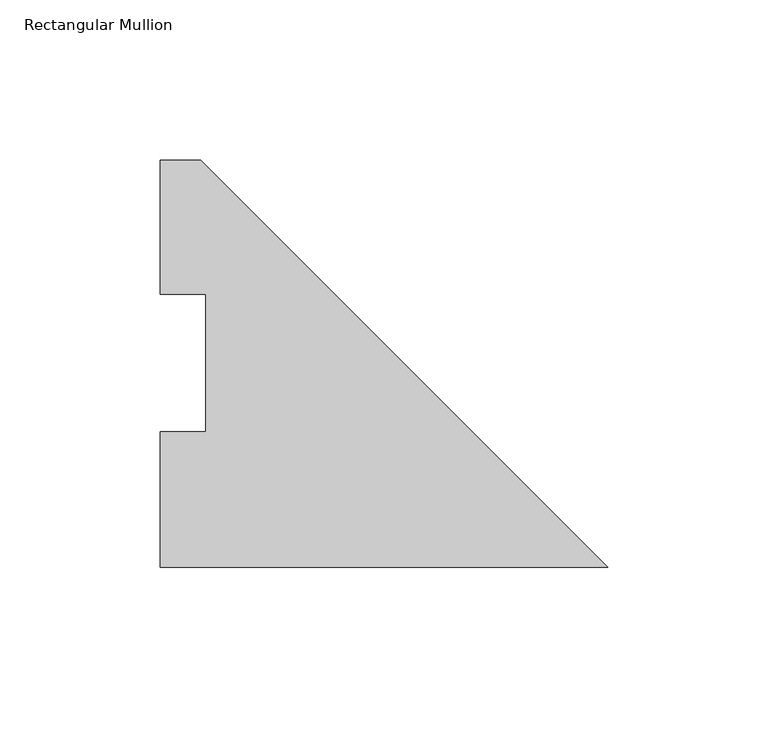
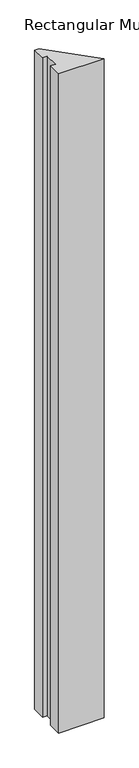
"""IFC4 building model written with IfcOpenShell, lengths in millimetres: member geometry, Rectangular Mullion."""

from ifc_helpers import new_model, si_unit, frame, origin, place, context, project, spatial, polyline, outline, extrude, source, transform, mapped, element, save


def rectangular_mullion_853a76a3(model_context):
    return source(origin(), model_context, "Body", "SweptSolid", [
        extrude(outline(polyline([(0.0, -0.0294092), (-139.7, -0.0294092), (-139.7, 42.2798875), (-125.4125, 42.2798875), (-125.4125, 85.1296875), (-139.7, 85.1296875), (-139.7, 126.9705908), (-127.0, 126.9705908), (0.0, -0.0294092)])), frame((0.0, 0.0, -2133.6), z_axis=(0.0, 0.0, 1.0), x_axis=(1.0, 0.0, 0.0)), (0.0, 0.0, 1.0), 2133.6),
    ])


if __name__ == "__main__":
    model = new_model("IFC4")
    model_context = context("Model", 3, world=origin())
    ifc_project = project(units=[si_unit("LENGTHUNIT", "METRE", prefix="MILLI")], contexts=[model_context])
    site = spatial("IfcSite", under=ifc_project)
    building = spatial("IfcBuilding", under=site)
    placement = place(None, origin())
    rectangular_mullion_shape = rectangular_mullion_853a76a3(model_context)
    element("IfcMember", 1, ObjectType="Rectangular Mullion", at=placement, inside=building, context=model_context, shape_type="MappedRepresentation", body=[
        mapped(rectangular_mullion_shape, transform((0.0, 0.0, 0.0), x_axis=(1.0, 0.0, 0.0), y_axis=(0.0, 1.0, 0.0), z_axis=(0.0, 0.0, 1.0))),
    ])
    save(model, "model.ifc")
